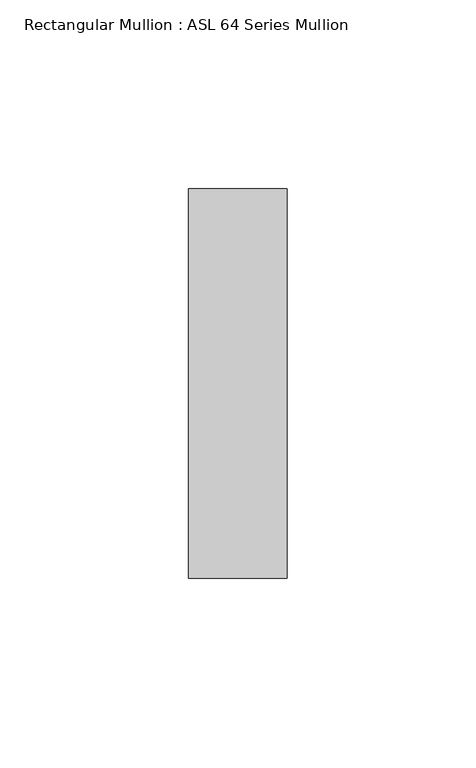
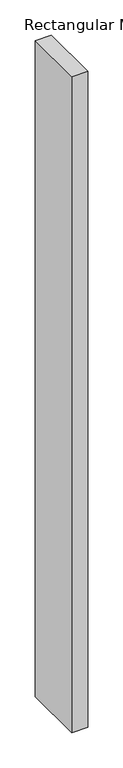
"""IFC4 building model written with IfcOpenShell, lengths in millimetres: member geometry, Rectangular Mullion : ASL 64 Series Mullion."""

from ifc_helpers import new_model, si_unit, frame, origin, place, context, project, spatial, polyline, outline, extrude, source, transform, mapped, element, save


def rectangular_mullion_asl_64_series_mullion_8f48ec7b(model_context):
    return source(origin(), model_context, "Body", "SweptSolid", [
        extrude(outline(polyline([(13.0, 51.5), (13.0, -51.5), (-13.0, -51.5), (-13.0, 51.5), (13.0, 51.5)])), frame((0.0, 0.0, -1134.2673911), z_axis=(0.0, 0.0, 1.0), x_axis=(1.0, 0.0, 0.0)), (0.0, 0.0, 1.0), 1134.2673911),
    ])


if __name__ == "__main__":
    model = new_model("IFC4")
    model_context = context("Model", 3, world=origin())
    ifc_project = project(units=[si_unit("LENGTHUNIT", "METRE", prefix="MILLI")], contexts=[model_context])
    site = spatial("IfcSite", under=ifc_project)
    building = spatial("IfcBuilding", under=site)
    placement = place(None, origin())
    rectangular_mullion_asl_64_series_mullion_shape = rectangular_mullion_asl_64_series_mullion_8f48ec7b(model_context)
    element("IfcMember", 1, ObjectType="Rectangular Mullion : ASL 64 Series Mullion", at=placement, inside=building, context=model_context, shape_type="MappedRepresentation", body=[
        mapped(rectangular_mullion_asl_64_series_mullion_shape, transform((0.0, 0.0, 0.0), x_axis=(1.0, 0.0, 0.0), y_axis=(0.0, 1.0, 0.0), z_axis=(0.0, 0.0, 1.0))),
    ])
    save(model, "model.ifc")
